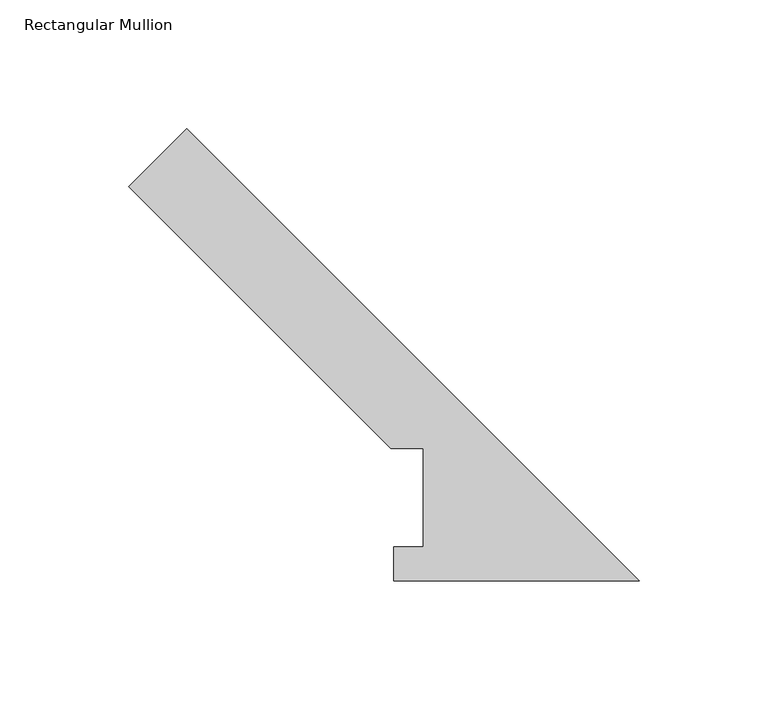
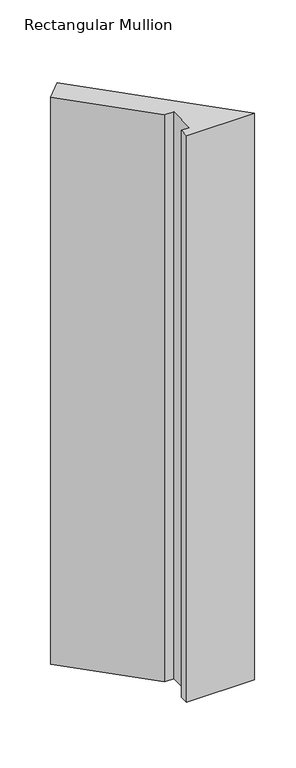
"""IFC4 building model written with IfcOpenShell, lengths in millimetres: member geometry, Rectangular Mullion."""

from ifc_helpers import new_model, si_unit, frame, origin, place, context, project, spatial, polyline, outline, extrude, source, transform, mapped, element, save


def rectangular_mullion_5003a4f9(model_context):
    return source(origin(), model_context, "Body", "SweptSolid", [
        extrude(outline(polyline([(-197.7516598, 152.8653489), (-175.3010194, 175.3159893), (0.0, 0.0149699), (-95.1734192, 0.0149699), (-95.1734192, 13.1975699), (-83.5816233, 13.1975699), (-83.5816233, 51.3953125), (-96.2816233, 51.3953125), (-197.7516598, 152.8653489)])), frame((0.0, 0.0, -838.2000003), z_axis=(0.0, 0.0, 1.0), x_axis=(1.0, 0.0, 0.0)), (0.0, 0.0, 1.0), 838.2000003),
    ])


if __name__ == "__main__":
    model = new_model("IFC4")
    model_context = context("Model", 3, world=origin())
    ifc_project = project(units=[si_unit("LENGTHUNIT", "METRE", prefix="MILLI")], contexts=[model_context])
    site = spatial("IfcSite", under=ifc_project)
    building = spatial("IfcBuilding", under=site)
    placement = place(None, origin())
    rectangular_mullion_shape = rectangular_mullion_5003a4f9(model_context)
    element("IfcMember", 1, ObjectType="Rectangular Mullion", at=placement, inside=building, context=model_context, shape_type="MappedRepresentation", body=[
        mapped(rectangular_mullion_shape, transform((0.0, 0.0, 0.0), x_axis=(1.0, 0.0, 0.0), y_axis=(0.0, 1.0, 0.0), z_axis=(0.0, 0.0, 1.0))),
    ])
    save(model, "model.ifc")
